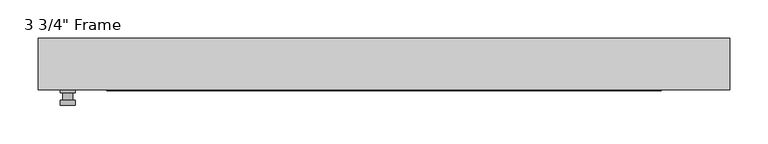
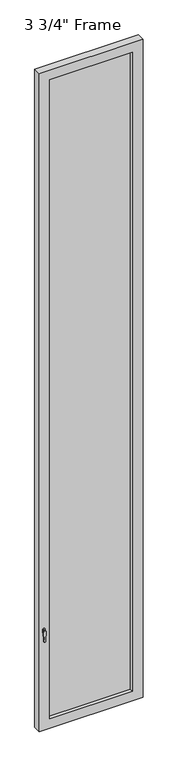
"""IFC4 building model written with IfcOpenShell, lengths in millimetres: plate geometry."""

from ifc_helpers import new_model, si_unit, frame, origin, place, context, project, spatial, polyline, circle_curve, outline, extrude, faceted_brep, source, transform, mapped, element, save
from ifc_brep_helpers import plane_surface, cylinder_surface, advanced_brep


def plate_20264f60(model_context):
    return source(origin(), model_context, "Body", "SolidModel", [
        advanced_brep(
        [(-401.6375, -33.3375, 927.1), (-401.6375, -33.3375, 901.7), (-420.6875, -33.3375, 901.7), (-420.6875, -33.3375, 927.1), (-404.8125, -46.0375, 914.4), (-417.5125, -46.0375, 914.4), (-417.5125, -36.5125, 914.4), (-404.8125, -36.5125, 914.4), (-401.6375, -46.0375, 914.4), (-404.8165356, -46.0375, 825.2736467), (-417.5084644, -46.0375, 825.2736467), (-420.6875, -46.0375, 914.4), (-401.6375, -52.3875, 914.4), (-420.6875, -52.3875, 914.4), (-417.5084644, -52.3875, 825.2736467), (-404.8165356, -52.3875, 825.2736467), (-401.6375, -36.5125, 927.1), (-420.6875, -36.5125, 927.1), (-420.6875, -36.5125, 901.7), (-401.6375, -36.5125, 901.7)],
        [
            (0, 1),
            (1, 2, circle_curve(frame((-411.1625, -33.3375, 901.7), z_axis=(0.0, 1.0, 0.0), x_axis=(-1.0, 0.0, 0.0)), 9.525)),
            (2, 3),
            (3, 0, circle_curve(frame((-411.1625, -33.3375, 927.1), z_axis=(0.0, 1.0, 0.0), x_axis=(-1.0, 0.0, 0.0)), 9.525)),
            (4, 5, circle_curve(frame((-411.1625, -46.0375, 914.4), z_axis=(0.0, 1.0, 0.0), x_axis=(-1.0, 0.0, 0.0)), 6.35)),
            (5, 6),
            (6, 7, circle_curve(frame((-411.1625, -36.5125, 914.4), z_axis=(0.0, -1.0, 0.0), x_axis=(-1.0, 0.0, 0.0)), 6.35)),
            (7, 4),
            (5, 4, circle_curve(frame((-411.1625, -46.0375, 914.4), z_axis=(0.0, 1.0, 0.0), x_axis=(-1.0, 0.0, 0.0)), 6.35)),
            (7, 6, circle_curve(frame((-411.1625, -36.5125, 914.4), z_axis=(0.0, -1.0, 0.0), x_axis=(-1.0, 0.0, 0.0)), 6.35)),
            (8, 9),
            (9, 10, circle_curve(frame((-411.1625, -46.0375, 825.5), z_axis=(0.0, 1.0, 0.0), x_axis=(-1.0, 0.0, 0.0)), 6.35)),
            (10, 11),
            (11, 8, circle_curve(frame((-411.1625, -46.0375, 914.4), z_axis=(0.0, 1.0, 0.0), x_axis=(-1.0, 0.0, 0.0)), 9.525)),
            (12, 13, circle_curve(frame((-411.1625, -52.3875, 914.4), z_axis=(0.0, -1.0, 0.0), x_axis=(-1.0, 0.0, 0.0)), 9.525)),
            (13, 14),
            (14, 15, circle_curve(frame((-411.1625, -52.3875, 825.5), z_axis=(0.0, -1.0, 0.0), x_axis=(-1.0, 0.0, 0.0)), 6.35)),
            (15, 12),
            (8, 12),
            (15, 9),
            (14, 10),
            (13, 11),
            (16, 17, circle_curve(frame((-411.1625, -36.5125, 927.1), z_axis=(0.0, -1.0, 0.0), x_axis=(-1.0, 0.0, 0.0)), 9.525)),
            (17, 18),
            (18, 19, circle_curve(frame((-411.1625, -36.5125, 901.7), z_axis=(0.0, -1.0, 0.0), x_axis=(-1.0, 0.0, 0.0)), 9.525)),
            (19, 16),
            (0, 16),
            (19, 1),
            (18, 2),
            (17, 3),
        ],
        [
            plane_surface(frame((-417.5125, -33.3375, 914.4), z_axis=(0.0, 1.0, 0.0), x_axis=(0.0, 0.0, 1.0))),
            cylinder_surface(frame((-411.1625, -46.0375, 914.4), z_axis=(0.0, 1.0, 0.0), x_axis=(-1.0, 0.0, 0.0)), 6.35),
            plane_surface(frame((-401.6375, -46.0375, 914.4), z_axis=(0.0, 1.0000000000000002, 0.0), x_axis=(-0.03564619348186888, 0.0, -0.9993644724975235))),
            plane_surface(frame((-401.6375, -52.3875, 914.4), z_axis=(0.0, -1.0000000000000002, 0.0), x_axis=(0.03564619348186888, 0.0, 0.9993644724975235))),
            plane_surface(frame((-401.6375, -46.0375, 914.4), z_axis=(0.9993644724975235, 0.0, -0.03564619348186888), x_axis=(0.0, -1.0, 0.0))),
            cylinder_surface(frame((-411.1625, -52.3875, 825.5), z_axis=(0.0, 1.0, 0.0), x_axis=(-1.0, 0.0, 0.0)), 6.35),
            plane_surface(frame((-417.5084644, -46.0375, 825.2736467), z_axis=(-0.9993644724975228, 0.0, -0.03564619348188612), x_axis=(0.0, -1.0, 0.0))),
            cylinder_surface(frame((-411.1625, -52.3875, 914.4), z_axis=(0.0, 1.0, 0.0), x_axis=(-1.0, 0.0, 0.0)), 9.525),
            plane_surface(frame((-401.6375, -36.5125, 901.7), z_axis=(0.0, -1.0, 0.0), x_axis=(0.0, 0.0, 1.0))),
            plane_surface(frame((-401.6375, -33.3375, 927.1), z_axis=(1.0, 0.0, 0.0), x_axis=(0.0, -1.0, 0.0))),
            cylinder_surface(frame((-411.1625, -36.5125, 901.7), z_axis=(0.0, 1.0, 0.0), x_axis=(-1.0, 0.0, 0.0)), 9.525),
            plane_surface(frame((-420.6875, -33.3375, 901.7), z_axis=(-1.0, 0.0, 0.0), x_axis=(0.0, -1.0, 0.0))),
            cylinder_surface(frame((-411.1625, -36.5125, 927.1), z_axis=(0.0, 1.0, 0.0), x_axis=(-1.0, 0.0, 0.0)), 9.525),
        ],
        [
            (0, [[1, 2, 3, 4]]),
            (1, [[5, 6, 7, 8]]),
            (1, [[9, -8, 10, -6]]),
            (2, [[11, 12, 13, 14], [-5, -9]]),
            (3, [[15, 16, 17, 18]]),
            (4, [[-11, 19, -18, 20]]),
            (5, [[-12, -20, -17, 21]]),
            (6, [[-13, -21, -16, 22]]),
            (7, [[-14, -22, -15, -19]]),
            (8, [[23, 24, 25, 26], [-7, -10]]),
            (9, [[-1, 27, -26, 28]]),
            (10, [[-2, -28, -25, 29]]),
            (11, [[-3, -29, -24, 30]]),
            (12, [[-4, -30, -23, -27]]),
        ],
    ),
        faceted_brep([(-449.2625, -33.3375, 0.0), (-449.2625, 33.3375, 0.0), (449.2625, 33.3375, 0.0), (449.2625, -33.3375, 0.0), (449.2625, -33.3375, 6026.15), (-449.2625, -33.3375, 6026.15), (-360.3625, -33.3375, 5937.25), (360.3625, -33.3375, 5937.25), (360.3625, -33.3375, 88.9), (-360.3625, -33.3375, 88.9), (-449.2625, 33.3375, 6026.15), (449.2625, 33.3375, 6026.15), (-360.3625, 33.3375, 5937.25), (-360.3625, 33.3375, 88.9), (360.3625, 33.3375, 88.9), (360.3625, 33.3375, 5937.25), (-354.0125, 11.90625, 5930.9), (-354.0125, 11.90625, 95.25), (366.7125, 11.90625, 5943.6), (-366.7125, 11.90625, 5943.6), (-366.7125, 11.90625, 82.55), (366.7125, 11.90625, 82.55), (354.0125, 11.90625, 5930.9), (354.0125, 11.90625, 95.25), (-366.7125, -11.90625, 5943.6), (-366.7125, -11.90625, 82.55), (366.7125, -11.90625, 5943.6), (366.7125, -11.90625, 82.55), (-354.0125, -11.90625, 5930.9), (-354.0125, -11.90625, 95.25), (354.0125, -11.90625, 95.25), (354.0125, -11.90625, 5930.9)], [[[0, 1, 2, 3]], [[0, 3, 4, 5], [6, 7, 8, 9]], [[1, 0, 5, 10]], [[2, 1, 10, 11], [12, 13, 14, 15]], [[12, 16, 17, 13]], [[18, 19, 20, 21], [16, 22, 23, 17]], [[20, 19, 24, 25]], [[24, 26, 27, 25], [28, 29, 30, 31]], [[28, 6, 9, 29]], [[5, 4, 11, 10]], [[12, 15, 22, 16]], [[19, 18, 26, 24]], [[7, 6, 28, 31]], [[4, 3, 2, 11]], [[22, 15, 14, 23]], [[27, 26, 18, 21]], [[7, 31, 30, 8]], [[9, 8, 30, 29]], [[21, 20, 25, 27]], [[17, 23, 14, 13]]]),
        extrude(outline(polyline([(366.7125, -11.90625), (-366.7125, -11.90625), (-366.7125, 11.90625), (366.7125, 11.90625), (366.7125, -11.90625)])), frame((0.0, 0.0, 82.55), z_axis=(0.0, 0.0, 1.0), x_axis=(1.0, 0.0, 0.0)), (0.0, 0.0, 1.0), 5861.05),
    ])


if __name__ == "__main__":
    model = new_model("IFC4")
    model_context = context("Model", 3, world=origin())
    ifc_project = project(units=[si_unit("LENGTHUNIT", "METRE", prefix="MILLI")], contexts=[model_context])
    site = spatial("IfcSite", under=ifc_project)
    building = spatial("IfcBuilding", under=site)
    placement = place(None, origin())
    plate_shape = plate_20264f60(model_context)
    element("IfcPlate", 1, ObjectType="3 3/4\" Frame", at=placement, inside=building, context=model_context, shape_type="MappedRepresentation", body=[
        mapped(plate_shape, transform((0.0, 0.0, 0.0), x_axis=(1.0, 0.0, 0.0), y_axis=(0.0, 1.0, 0.0), z_axis=(0.0, 0.0, 1.0))),
    ])
    save(model, "model.ifc")
